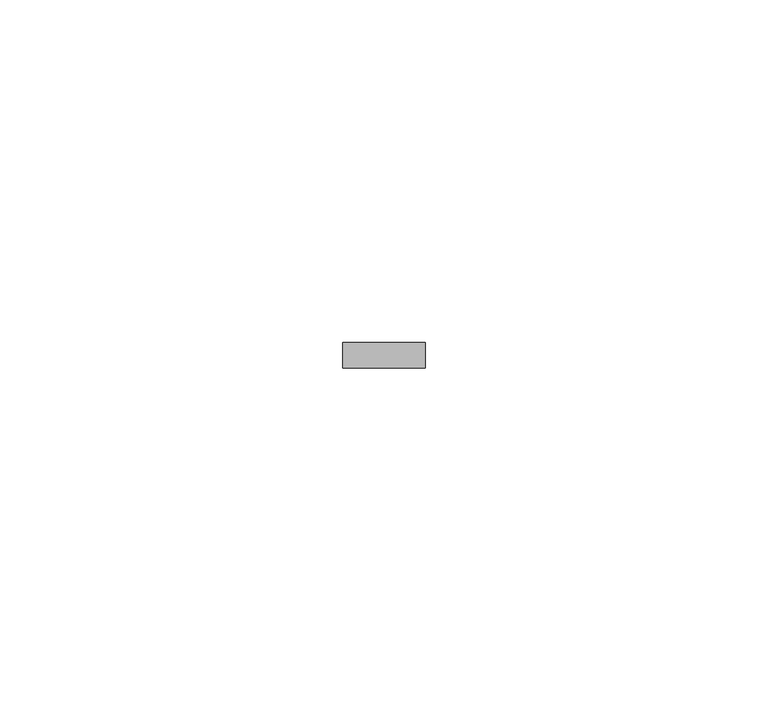
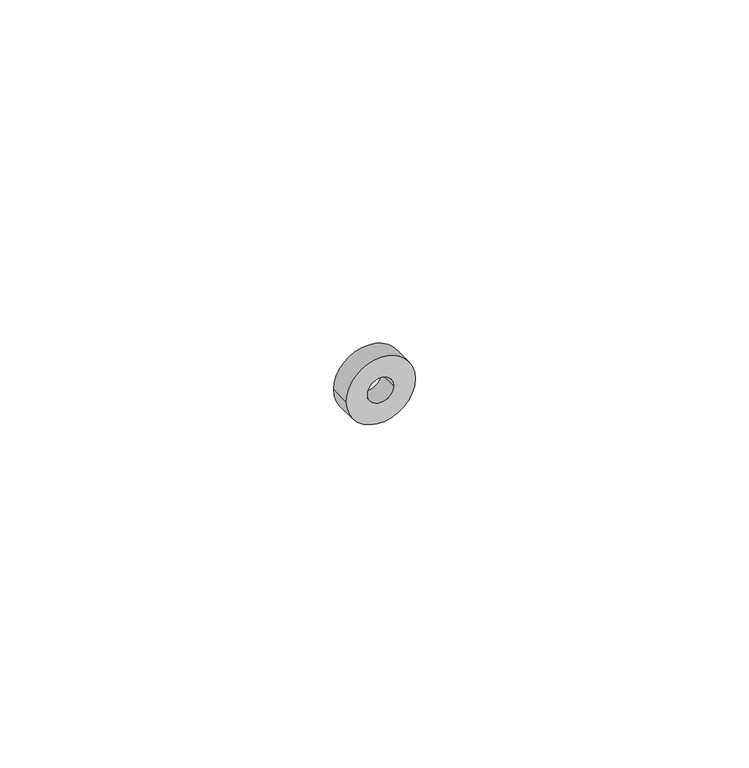
"""IFC4 building model written with IfcOpenShell, lengths in millimetres: proxy geometry."""

from ifc_helpers import new_model, si_unit, point, frame, origin, origin_2d, place, context, project, spatial, circle_curve, trimmed, segment, composite_curve, outline, extrude, source, transform, mapped, element, save


def generic_models_95c42bbe(model_context):
    return source(origin(), model_context, "Body", "SweptSolid", [
        extrude(outline(composite_curve([segment(trimmed(circle_curve(origin_2d(), 6.0), [point((0.0, -6.0))], [point((0.0, 6.0))], False, "CARTESIAN"), True, "CONTINUOUS"), segment(trimmed(circle_curve(origin_2d(), 6.0), [point((0.0, 6.0))], [point((0.0, -6.0))], False, "CARTESIAN"), True, "CONTINUOUS")], self_intersect=False), holes=[composite_curve([segment(trimmed(circle_curve(origin_2d(), 2.25), [point((0.0, -2.25))], [point((0.0, 2.25))], True, "CARTESIAN"), True, "CONTINUOUS"), segment(trimmed(circle_curve(origin_2d(), 2.25), [point((0.0, 2.25))], [point((0.0, -2.25))], True, "CARTESIAN"), True, "CONTINUOUS")], self_intersect=False)]), frame((0.0, 0.0, 0.0), z_axis=(0.0, 1.0, 0.0), x_axis=(0.0, 0.0, 1.0)), (0.0, 0.0, 1.0), 3.7),
    ])


if __name__ == "__main__":
    model = new_model("IFC4")
    model_context = context("Model", 3, world=origin())
    ifc_project = project(units=[si_unit("LENGTHUNIT", "METRE", prefix="MILLI")], contexts=[model_context])
    site = spatial("IfcSite", under=ifc_project)
    building = spatial("IfcBuilding", under=site)
    placement = place(None, origin())
    generic_models_shape = generic_models_95c42bbe(model_context)
    element("IfcBuildingElementProxy", 1, Name="Generic Models", at=placement, inside=building, context=model_context, shape_type="MappedRepresentation", body=[
        mapped(generic_models_shape, transform((0.0, 0.0, 0.0), x_axis=(1.0, 0.0, 0.0), y_axis=(0.0, 1.0, 0.0), z_axis=(0.0, 0.0, 1.0))),
    ])
    save(model, "model.ifc")
